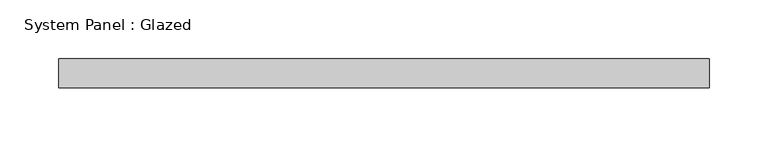
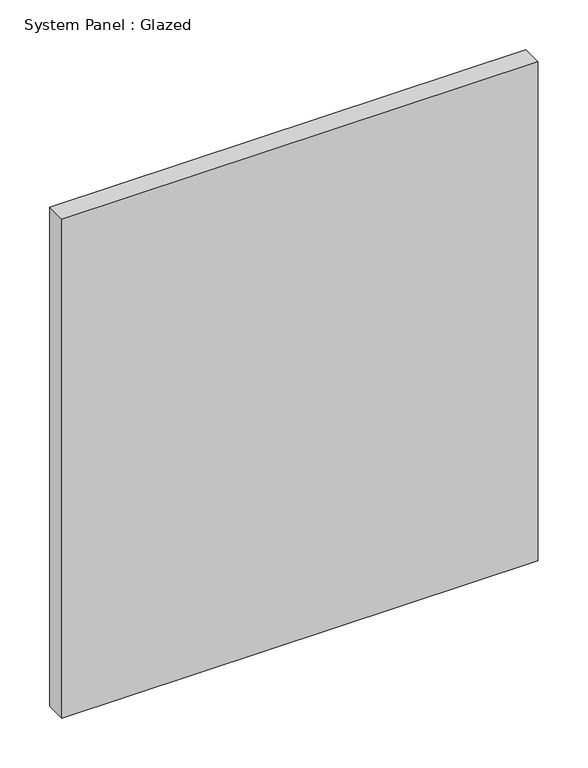
"""IFC4 building model written with IfcOpenShell, lengths in millimetres: plate geometry, System Panel : Glazed."""

from ifc_helpers import new_model, si_unit, origin, origin_with_axes, place, context, project, spatial, polyline, outline, extrude, source, transform, mapped, element, save


def system_panel_glazed_c3a22e26(model_context):
    return source(origin(), model_context, "Body", "SweptSolid", [
        extrude(outline(polyline([(277.5, -49.5), (-277.5, -49.5), (-277.5, -24.5), (277.5, -24.5), (277.5, -49.5)])), origin_with_axes(), (0.0, 0.0, 1.0), 615.0),
    ])


if __name__ == "__main__":
    model = new_model("IFC4")
    model_context = context("Model", 3, world=origin())
    ifc_project = project(units=[si_unit("LENGTHUNIT", "METRE", prefix="MILLI")], contexts=[model_context])
    site = spatial("IfcSite", under=ifc_project)
    building = spatial("IfcBuilding", under=site)
    placement = place(None, origin())
    system_panel_glazed_shape = system_panel_glazed_c3a22e26(model_context)
    element("IfcPlate", 1, ObjectType="System Panel : Glazed", at=placement, inside=building, context=model_context, shape_type="MappedRepresentation", body=[
        mapped(system_panel_glazed_shape, transform((0.0, 0.0, 0.0), x_axis=(1.0, 0.0, 0.0), y_axis=(0.0, 1.0, 0.0), z_axis=(0.0, 0.0, 1.0))),
    ])
    save(model, "model.ifc")
